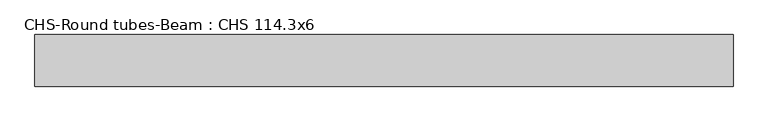
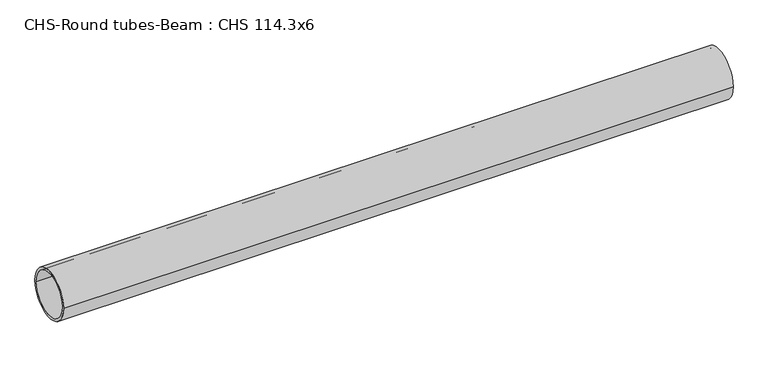
"""IFC4 building model written with IfcOpenShell, lengths in millimetres: beam geometry, CHS-Round tubes-Beam : CHS 114.3x6."""

from ifc_helpers import new_model, si_unit, point, frame, origin, origin_2d, place, context, project, spatial, circle_curve, trimmed, segment, composite_curve, outline, extrude, source, transform, mapped, element, save


def chs_round_tubes_beam_chs_114_3x6_c5c5f57d(model_context):
    return source(origin(), model_context, "Body", "SweptSolid", [
        extrude(outline(composite_curve([segment(trimmed(circle_curve(origin_2d(), 57.15), [point((57.15, 0.0))], [point((-57.15, 0.0))], False, "CARTESIAN"), True, "CONTINUOUS"), segment(trimmed(circle_curve(origin_2d(), 57.15), [point((-57.15, 0.0))], [point((57.15, 0.0))], False, "CARTESIAN"), True, "CONTINUOUS")], self_intersect=False), holes=[composite_curve([segment(trimmed(circle_curve(origin_2d(), 51.15), [point((51.15, 0.0))], [point((-51.15, 0.0))], True, "CARTESIAN"), True, "CONTINUOUS"), segment(trimmed(circle_curve(origin_2d(), 51.15), [point((-51.15, 0.0))], [point((51.15, 0.0))], True, "CARTESIAN"), True, "CONTINUOUS")], self_intersect=False)]), frame((-785.2726583, 0.0, 0.0), z_axis=(1.0, 0.0, 0.0), x_axis=(0.0, 1.0, 0.0)), (0.0, 0.0, 1.0), 1545.3300036),
    ])


if __name__ == "__main__":
    model = new_model("IFC4")
    model_context = context("Model", 3, world=origin())
    ifc_project = project(units=[si_unit("LENGTHUNIT", "METRE", prefix="MILLI")], contexts=[model_context])
    site = spatial("IfcSite", under=ifc_project)
    building = spatial("IfcBuilding", under=site)
    placement = place(None, origin())
    chs_round_tubes_beam_chs_114_3x6_shape = chs_round_tubes_beam_chs_114_3x6_c5c5f57d(model_context)
    element("IfcBeam", 1, ObjectType="CHS-Round tubes-Beam : CHS 114.3x6", at=placement, inside=building, context=model_context, shape_type="MappedRepresentation", body=[
        mapped(chs_round_tubes_beam_chs_114_3x6_shape, transform((0.0, 0.0, 0.0), x_axis=(1.0, 0.0, 0.0), y_axis=(0.0, 1.0, 0.0), z_axis=(0.0, 0.0, 1.0))),
    ])
    save(model, "model.ifc")
